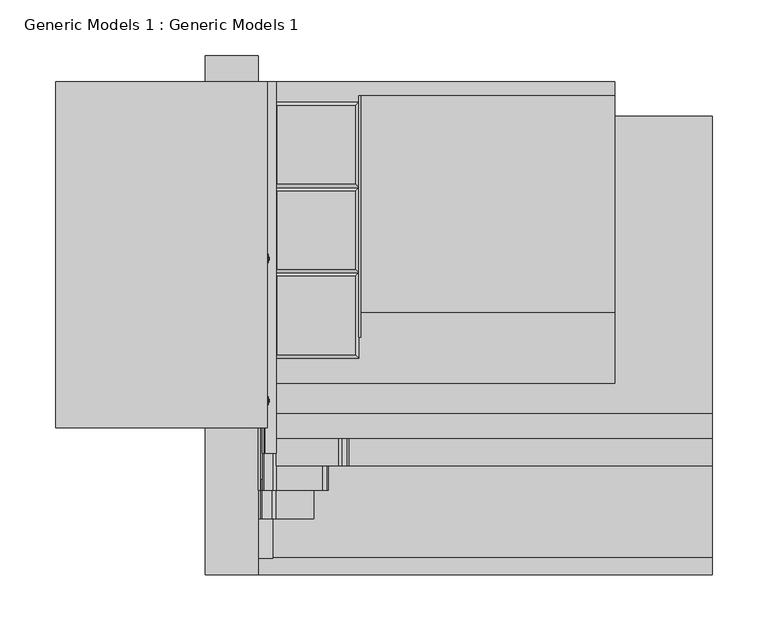
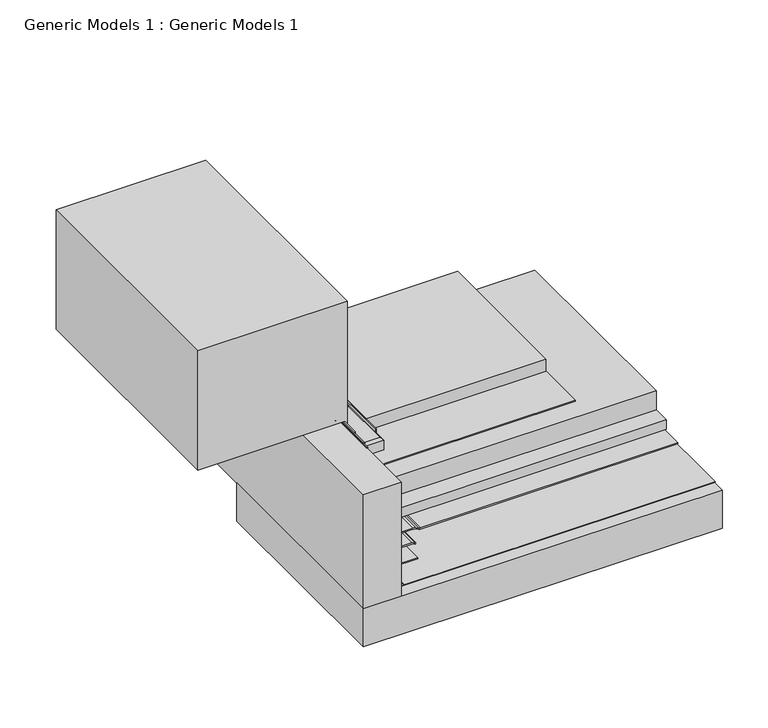
"""IFC4 building model written with IfcOpenShell, lengths in millimetres: proxy geometry, Generic Models 1 : Generic Models 1."""

from ifc_helpers import new_model, si_unit, point, frame, frame_2d, origin, place, context, project, spatial, polyline, circle_curve, trimmed, segment, composite_curve, outline, extrude, faceted_brep, source, transform, mapped, element, save
from ifc_brep_helpers import plane_surface, cylinder_surface, revolved_surface, advanced_brep


def generic_models_1_generic_models_1_38dde466(model_context):
    return source(origin(), model_context, "Body", "SolidModel", [
        faceted_brep([(172.2545081, 406.4, 234.95), (96.0545081, 406.4, 234.95), (96.0545081, 406.4, 247.65), (172.2545081, 406.4, 247.65), (96.0545081, 330.2, 234.95), (172.2545081, 330.2, 234.95), (172.2545081, 330.2, 247.65), (96.0545081, 330.2, 247.65), (99.2295081, 403.225, 250.825), (99.2295081, 333.375, 250.825), (169.0795081, 333.375, 250.825), (169.0795081, 403.225, 250.825)], [[[0, 1, 2, 3]], [[4, 5, 6, 7]], [[8, 9, 10, 11]], [[5, 0, 3, 6]], [[1, 0, 5, 4]], [[1, 4, 7, 2]], [[7, 9, 8, 2]], [[9, 7, 6, 10]], [[10, 6, 3, 11]], [[2, 8, 11, 3]]]),
        extrude(outline(polyline([(172.2545081, 412.1575057), (173.8420081, 412.1575057), (173.8420081, 196.6011681), (172.2545081, 196.6011681), (172.2545081, 412.1575057)])), frame((0.0, 0.0, 234.95), z_axis=(0.0, 0.0, 1.0), x_axis=(1.0, 0.0, 0.0)), (0.0, 0.0, 1.0), 15.875),
        faceted_brep([(172.2545081, 330.2, 234.95), (96.0545081, 330.2, 234.95), (96.0545081, 330.2, 247.65), (172.2545081, 330.2, 247.65), (96.0545081, 254.0, 234.95), (172.2545081, 254.0, 234.95), (172.2545081, 254.0, 247.65), (96.0545081, 254.0, 247.65), (99.2295081, 327.025, 250.825), (99.2295081, 257.175, 250.825), (169.0795081, 257.175, 250.825), (169.0795081, 327.025, 250.825)], [[[0, 1, 2, 3]], [[4, 5, 6, 7]], [[8, 9, 10, 11]], [[5, 0, 3, 6]], [[1, 0, 5, 4]], [[1, 4, 7, 2]], [[7, 9, 8, 2]], [[9, 7, 6, 10]], [[10, 6, 3, 11]], [[2, 8, 11, 3]]]),
        faceted_brep([(172.2545081, 254.0, 234.95), (96.0545081, 254.0, 234.95), (96.0545081, 254.0, 247.65), (172.2545081, 254.0, 247.65), (96.0545081, 177.8, 234.95), (172.2545081, 177.8, 234.95), (172.2545081, 177.8, 247.65), (96.0545081, 177.8, 247.65), (99.2295081, 250.825, 250.825), (99.2295081, 180.975, 250.825), (169.0795081, 180.975, 250.825), (169.0795081, 250.825, 250.825)], [[[0, 1, 2, 3]], [[4, 5, 6, 7]], [[8, 9, 10, 11]], [[5, 0, 3, 6]], [[1, 0, 5, 4]], [[1, 4, 7, 2]], [[7, 9, 8, 2]], [[9, 7, 6, 10]], [[10, 6, 3, 11]], [[2, 8, 11, 3]]]),
        extrude(outline(polyline([(173.8420081, 412.1575057), (400.8545081, 412.1575057), (400.8545081, 218.9523377), (173.8420081, 218.9523377), (173.8420081, 412.1575057)])), frame((0.0, 0.0, 234.95), z_axis=(0.0, 0.0, 1.0), x_axis=(1.0, 0.0, 0.0)), (0.0, 0.0, 1.0), 15.875),
        extrude(outline(polyline([(96.0545081, 424.8575057), (400.8545081, 424.8575057), (400.8545081, 155.1051213), (96.0545081, 155.1051213), (96.0545081, 424.8575057)])), frame((0.0, 0.0, 233.3625), z_axis=(0.0, 0.0, 1.0), x_axis=(1.0, 0.0, 0.0)), (0.0, 0.0, 1.0), 1.5875),
        extrude(outline(polyline([(96.0545081, 393.8469389), (487.9169046, 393.8469389), (487.9169046, 128.3782106), (96.0545081, 128.3782106), (96.0545081, 393.8469389)])), frame((0.0, 0.0, 207.9625), z_axis=(0.0, 0.0, 1.0), x_axis=(1.0, 0.0, 0.0)), (0.0, 0.0, 1.0), 25.4),
        extrude(outline(polyline([(96.0545081, 393.8469389), (487.9169046, 393.8469389), (487.9169046, 106.2450425), (96.0545081, 106.2450425), (96.0545081, 393.8469389)])), frame((0.0, 0.0, 195.2625), z_axis=(0.0, 0.0, 1.0), x_axis=(1.0, 0.0, 0.0)), (0.0, 0.0, 1.0), 12.7),
        extrude(outline(polyline([(35.0378202, 261.3017557), (487.9169046, 261.3017557), (487.9169046, -15.8013273), (35.0378202, -15.8013273), (35.0378202, 261.3017557)])), frame((0.0, 0.0, 137.31875), z_axis=(0.0, 0.0, 1.0), x_axis=(1.0, 0.0, 0.0)), (0.0, 0.0, 1.0), 50.8),
        extrude(outline(polyline([(340.51875, 87.3125), (310.5791141, 87.3125), (310.5791141, 90.4513986), (499.9960988, 90.4513986), (499.9960988, -98.425), (340.51875, -98.425), (340.51875, 87.3125)])), frame((0.0, 115.2679192, 0.0), z_axis=(0.0, 1.0, 0.0), x_axis=(0.0, 0.0, 1.0)), (0.0, 0.0, 1.0), 309.5895865),
        extrude(outline(composite_curve([segment(trimmed(circle_curve(frame_2d((339.725, 84.93125)), 0.79375), [point((339.725, 85.725))], [point((339.725, 84.1375))], False, "CARTESIAN"), True, "CONTINUOUS"), segment(polyline([(339.725, 84.1375), (314.5968614, 84.1375)]), True, "CONTINUOUS"), segment(trimmed(circle_curve(frame_2d((314.5968614, 84.93125)), 0.79375), [point((314.5968614, 84.1375))], [point((314.5968614, 85.725))], False, "CARTESIAN"), True, "CONTINUOUS"), segment(polyline([(314.5968614, 85.725), (339.725, 85.725)]), True, "CONTINUOUS")], self_intersect=False)), frame((0.0, 69.4715508, 0.0), z_axis=(0.0, 1.0, 0.0), x_axis=(0.0, 0.0, 1.0)), (0.0, 0.0, 1.0), 235.3284492),
        extrude(outline(composite_curve([segment(polyline([(340.51875, 87.3125), (340.51875, 85.725), (274.6141889, 85.725)]), True, "CONTINUOUS"), segment(trimmed(circle_curve(frame_2d((274.6141889, 90.4875)), 4.7625), [point((274.6141889, 85.725))], [point((271.2465929, 87.119904))], False, "CARTESIAN"), True, "CONTINUOUS"), segment(polyline([(271.2465929, 87.119904), (261.1186627, 97.2478341), (262.2411947, 98.3703662), (272.3691249, 88.242436)]), True, "CONTINUOUS"), segment(trimmed(circle_curve(frame_2d((274.6141889, 90.4875)), 3.175), [point((272.3691249, 88.242436))], [point((274.6141889, 87.3125))], True, "CARTESIAN"), True, "CONTINUOUS"), segment(polyline([(274.6141889, 87.3125), (340.51875, 87.3125)]), True, "CONTINUOUS")], self_intersect=False)), frame((0.0, 92.6863112, 0.0), z_axis=(0.0, 1.0, 0.0), x_axis=(0.0, 0.0, 1.0)), (0.0, 0.0, 1.0), 332.1711945),
        advanced_brep(
        [(78.0547052, 266.7, 325.464534), (78.0547052, 266.7, 326.5091177), (75.0926407, 266.7, 325.9868258), (90.4875, 266.7, 325.464534), (90.4875, 266.7, 326.5091177), (90.4875, 266.7, 322.2980716), (90.4875, 266.7, 329.6755801), (91.2790658, 266.7, 322.2980716), (91.2790658, 266.7, 329.6755801), (91.2790658, 266.7, 324.6059786), (91.2790658, 266.7, 327.3676731), (92.0888577, 266.7, 324.6059786), (92.0888577, 266.7, 327.3676731), (92.0888577, 266.7, 325.9868258)],
        [
            (0, 1, circle_curve(frame((78.0547052, 266.7, 325.9868258), z_axis=(-1.0, 0.0, 0.0), x_axis=(0.0, 0.0, 1.0)), 0.5222919)),
            (1, 2),
            (2, 0),
            (1, 0, circle_curve(frame((78.0547052, 266.7, 325.9868258), z_axis=(-1.0, 0.0, 0.0), x_axis=(0.0, 0.0, 1.0)), 0.5222919)),
            (3, 4, circle_curve(frame((90.4875, 266.7, 325.9868258), z_axis=(-1.0, 0.0, 0.0), x_axis=(0.0, 0.0, 1.0)), 0.5222919)),
            (4, 1),
            (0, 3),
            (4, 3, circle_curve(frame((90.4875, 266.7, 325.9868258), z_axis=(-1.0, 0.0, 0.0), x_axis=(0.0, 0.0, 1.0)), 0.5222919)),
            (5, 6, circle_curve(frame((90.4875, 266.7, 325.9868258), z_axis=(-1.0, 0.0, 0.0), x_axis=(0.0, 0.0, 1.0)), 3.6887543)),
            (6, 4),
            (3, 5),
            (6, 5, circle_curve(frame((90.4875, 266.7, 325.9868258), z_axis=(-1.0, 0.0, 0.0), x_axis=(0.0, 0.0, 1.0)), 3.6887543)),
            (7, 8, circle_curve(frame((91.2790658, 266.7, 325.9868258), z_axis=(-1.0, 0.0, 0.0), x_axis=(0.0, 0.0, 1.0)), 3.6887543)),
            (8, 6),
            (5, 7),
            (8, 7, circle_curve(frame((91.2790658, 266.7, 325.9868258), z_axis=(-1.0, 0.0, 0.0), x_axis=(0.0, 0.0, 1.0)), 3.6887543)),
            (9, 10, circle_curve(frame((91.2790658, 266.7, 325.9868258), z_axis=(-1.0, 0.0, 0.0), x_axis=(0.0, 0.0, 1.0)), 1.3808472)),
            (10, 8),
            (7, 9),
            (10, 9, circle_curve(frame((91.2790658, 266.7, 325.9868258), z_axis=(-1.0, 0.0, 0.0), x_axis=(0.0, 0.0, 1.0)), 1.3808472)),
            (11, 12, circle_curve(frame((92.0888577, 266.7, 325.9868258), z_axis=(-1.0, 0.0, 0.0), x_axis=(0.0, 0.0, 1.0)), 1.3808472)),
            (12, 10),
            (9, 11),
            (12, 11, circle_curve(frame((92.0888577, 266.7, 325.9868258), z_axis=(-1.0, 0.0, 0.0), x_axis=(0.0, 0.0, 1.0)), 1.3808472)),
            (13, 12),
            (11, 13),
        ],
        [
            revolved_surface(polyline([(75.0926407, 266.7, 325.9868258), (78.0547052, 266.7, 326.5091177)]), (92.0888577, 266.7, 325.9868258), (1.0, 0.0, 0.0)),
            cylinder_surface(frame((92.0888577, 266.7, 325.9868258), z_axis=(1.0, 0.0, 0.0), x_axis=(0.0, 0.0, 1.0)), 0.5222919),
            plane_surface(frame((90.4875, 266.7, 325.9868258), z_axis=(-1.0, 0.0, 0.0), x_axis=(0.0, 0.0, 1.0))),
            cylinder_surface(frame((92.0888577, 266.7, 325.9868258), z_axis=(1.0, 0.0, 0.0), x_axis=(0.0, 0.0, 1.0)), 3.6887543),
            plane_surface(frame((91.2790658, 266.7, 325.9868258), z_axis=(1.0, 0.0, 0.0), x_axis=(0.0, 0.0, 1.0))),
            cylinder_surface(frame((92.0888577, 266.7, 325.9868258), z_axis=(1.0, 0.0, 0.0), x_axis=(0.0, 0.0, 1.0)), 1.3808472),
            plane_surface(frame((92.0888577, 266.7, 325.9868258), z_axis=(1.0, 0.0, 0.0), x_axis=(0.0, 0.0, 1.0))),
        ],
        [
            (0, [[1, 2, 3]]),
            (0, [[4, -3, -2]]),
            (1, [[5, 6, -1, 7]]),
            (1, [[8, -7, -4, -6]]),
            (2, [[9, 10, -5, 11]]),
            (2, [[12, -11, -8, -10]]),
            (3, [[13, 14, -9, 15]]),
            (3, [[16, -15, -12, -14]]),
            (4, [[17, 18, -13, 19]]),
            (4, [[20, -19, -16, -18]]),
            (5, [[21, 22, -17, 23]]),
            (5, [[24, -23, -20, -22]]),
            (6, [[25, -21, 26]]),
            (6, [[-26, -24, -25]]),
        ],
    ),
        advanced_brep(
        [(78.0547052, 139.7, 325.464534), (78.0547052, 139.7, 326.5091177), (75.0926407, 139.7, 325.9868258), (90.4875, 139.7, 325.464534), (90.4875, 139.7, 326.5091177), (90.4875, 139.7, 322.2980716), (90.4875, 139.7, 329.6755801), (91.2790658, 139.7, 322.2980716), (91.2790658, 139.7, 329.6755801), (91.2790658, 139.7, 324.6059786), (91.2790658, 139.7, 327.3676731), (92.0888577, 139.7, 324.6059786), (92.0888577, 139.7, 327.3676731), (92.0888577, 139.7, 325.9868258)],
        [
            (0, 1, circle_curve(frame((78.0547052, 139.7, 325.9868258), z_axis=(-1.0, 0.0, 0.0), x_axis=(0.0, 0.0, 1.0)), 0.5222919)),
            (1, 2),
            (2, 0),
            (1, 0, circle_curve(frame((78.0547052, 139.7, 325.9868258), z_axis=(-1.0, 0.0, 0.0), x_axis=(0.0, 0.0, 1.0)), 0.5222919)),
            (3, 4, circle_curve(frame((90.4875, 139.7, 325.9868258), z_axis=(-1.0, 0.0, 0.0), x_axis=(0.0, 0.0, 1.0)), 0.5222919)),
            (4, 1),
            (0, 3),
            (4, 3, circle_curve(frame((90.4875, 139.7, 325.9868258), z_axis=(-1.0, 0.0, 0.0), x_axis=(0.0, 0.0, 1.0)), 0.5222919)),
            (5, 6, circle_curve(frame((90.4875, 139.7, 325.9868258), z_axis=(-1.0, 0.0, 0.0), x_axis=(0.0, 0.0, 1.0)), 3.6887543)),
            (6, 4),
            (3, 5),
            (6, 5, circle_curve(frame((90.4875, 139.7, 325.9868258), z_axis=(-1.0, 0.0, 0.0), x_axis=(0.0, 0.0, 1.0)), 3.6887543)),
            (7, 8, circle_curve(frame((91.2790658, 139.7, 325.9868258), z_axis=(-1.0, 0.0, 0.0), x_axis=(0.0, 0.0, 1.0)), 3.6887543)),
            (8, 6),
            (5, 7),
            (8, 7, circle_curve(frame((91.2790658, 139.7, 325.9868258), z_axis=(-1.0, 0.0, 0.0), x_axis=(0.0, 0.0, 1.0)), 3.6887543)),
            (9, 10, circle_curve(frame((91.2790658, 139.7, 325.9868258), z_axis=(-1.0, 0.0, 0.0), x_axis=(0.0, 0.0, 1.0)), 1.3808472)),
            (10, 8),
            (7, 9),
            (10, 9, circle_curve(frame((91.2790658, 139.7, 325.9868258), z_axis=(-1.0, 0.0, 0.0), x_axis=(0.0, 0.0, 1.0)), 1.3808472)),
            (11, 12, circle_curve(frame((92.0888577, 139.7, 325.9868258), z_axis=(-1.0, 0.0, 0.0), x_axis=(0.0, 0.0, 1.0)), 1.3808472)),
            (12, 10),
            (9, 11),
            (12, 11, circle_curve(frame((92.0888577, 139.7, 325.9868258), z_axis=(-1.0, 0.0, 0.0), x_axis=(0.0, 0.0, 1.0)), 1.3808472)),
            (13, 12),
            (11, 13),
        ],
        [
            revolved_surface(polyline([(75.0926407, 139.7, 325.9868258), (78.0547052, 139.7, 326.5091177)]), (92.0888577, 139.7, 325.9868258), (1.0, 0.0, 0.0)),
            cylinder_surface(frame((92.0888577, 139.7, 325.9868258), z_axis=(1.0, 0.0, 0.0), x_axis=(0.0, 0.0, 1.0)), 0.5222919),
            plane_surface(frame((90.4875, 139.7, 325.9868258), z_axis=(-1.0, 0.0, 0.0), x_axis=(0.0, 0.0, 1.0))),
            cylinder_surface(frame((92.0888577, 139.7, 325.9868258), z_axis=(1.0, 0.0, 0.0), x_axis=(0.0, 0.0, 1.0)), 3.6887543),
            plane_surface(frame((91.2790658, 139.7, 325.9868258), z_axis=(1.0, 0.0, 0.0), x_axis=(0.0, 0.0, 1.0))),
            cylinder_surface(frame((92.0888577, 139.7, 325.9868258), z_axis=(1.0, 0.0, 0.0), x_axis=(0.0, 0.0, 1.0)), 1.3808472),
            plane_surface(frame((92.0888577, 139.7, 325.9868258), z_axis=(1.0, 0.0, 0.0), x_axis=(0.0, 0.0, 1.0))),
        ],
        [
            (0, [[1, 2, 3]]),
            (0, [[4, -3, -2]]),
            (1, [[5, 6, -1, 7]]),
            (1, [[8, -7, -4, -6]]),
            (2, [[9, 10, -5, 11]]),
            (2, [[12, -11, -8, -10]]),
            (3, [[13, 14, -9, 15]]),
            (3, [[16, -15, -12, -14]]),
            (4, [[17, 18, -13, 19]]),
            (4, [[20, -19, -16, -18]]),
            (5, [[21, 22, -17, 23]]),
            (5, [[24, -23, -20, -22]]),
            (6, [[25, -21, 26]]),
            (6, [[-26, -24, -25]]),
        ],
    ),
        extrude(outline(polyline([(82.55, 393.8469389), (487.9169046, 393.8469389), (487.9169046, 0.0), (82.55, 0.0), (82.55, 393.8469389)])), frame((0.0, 0.0, 188.9125), z_axis=(0.0, 0.0, 1.0), x_axis=(1.0, 0.0, 0.0)), (0.0, 0.0, 1.0), 0.79375),
        extrude(outline(composite_curve([segment(trimmed(circle_curve(frame_2d((187.325, 153.7084294)), 6.35), [point((193.675, 153.7084294))], [point((193.0800544, 156.3920554))], True, "CARTESIAN"), True, "CONTINUOUS"), segment(polyline([(193.0800544, 156.3920554), (191.0949456, 160.6491351)]), True, "CONTINUOUS"), segment(trimmed(circle_curve(frame_2d((196.85, 163.3327611)), 6.35), [point((191.0949456, 160.6491351))], [point((190.5, 163.3327611))], False, "CARTESIAN"), True, "CONTINUOUS"), segment(polyline([(190.5, 163.3327611), (190.5, 487.9169046), (192.0875, 487.9169046), (192.0875, 163.3327611)]), True, "CONTINUOUS"), segment(trimmed(circle_curve(frame_2d((196.85, 163.3327611)), 4.7625), [point((192.0875, 163.3327611))], [point((192.5337092, 161.3200416))], True, "CARTESIAN"), True, "CONTINUOUS"), segment(polyline([(192.5337092, 161.3200416), (194.5188181, 157.0629619)]), True, "CONTINUOUS"), segment(trimmed(circle_curve(frame_2d((187.325, 153.7084294)), 7.9375), [point((194.5188181, 157.0629619))], [point((195.2625, 153.7084294))], False, "CARTESIAN"), True, "CONTINUOUS"), segment(polyline([(195.2625, 153.7084294), (195.2625, 98.5378202), (193.675, 98.5378202), (193.675, 153.7084294)]), True, "CONTINUOUS")], self_intersect=False)), frame((0.0, 81.7939129, 0.0), z_axis=(0.0, 1.0, 0.0), x_axis=(0.0, 0.0, 1.0)), (0.0, 0.0, 1.0), 312.053026),
        extrude(outline(composite_curve([segment(polyline([(340.51875, 84.1375), (340.51875, 82.55), (236.8806049, 82.55)]), True, "CONTINUOUS"), segment(trimmed(circle_curve(frame_2d((236.8806049, 88.9)), 6.35), [point((236.8806049, 82.55))], [point((233.8064244, 83.34375))], False, "CARTESIAN"), True, "CONTINUOUS"), segment(trimmed(circle_curve(frame_2d((230.7322439, 77.7875)), 6.35), [point((233.8064244, 83.34375))], [point((230.7322439, 84.1375))], True, "CARTESIAN"), True, "CONTINUOUS"), segment(polyline([(230.7322439, 84.1375), (206.4878202, 84.1375)]), True, "CONTINUOUS"), segment(trimmed(circle_curve(frame_2d((206.4878202, 90.4875)), 6.35), [point((206.4878202, 84.1375))], [point((201.9976921, 85.9973719))], False, "CARTESIAN"), True, "CONTINUOUS"), segment(polyline([(201.9976921, 85.9973719), (193.9473719, 94.0476921)]), True, "CONTINUOUS"), segment(trimmed(circle_curve(frame_2d((198.4375, 98.5378202)), 6.35), [point((193.9473719, 94.0476921))], [point((192.0875, 98.5378202))], False, "CARTESIAN"), True, "CONTINUOUS"), segment(polyline([(192.0875, 98.5378202), (192.0875, 139.6852414)]), True, "CONTINUOUS"), segment(trimmed(circle_curve(frame_2d((185.7375, 139.6852414)), 6.35), [point((192.0875, 139.6852414))], [point((191.2367613, 142.8602414))], True, "CARTESIAN"), True, "CONTINUOUS"), segment(polyline([(191.2367613, 142.8602414), (190.5, 144.1363494), (191.8748153, 144.9300994), (192.6115766, 143.6539914)]), True, "CONTINUOUS"), segment(trimmed(circle_curve(frame_2d((185.7375, 139.6852414)), 7.9375), [point((192.6115766, 143.6539914))], [point((193.675, 139.6852414))], False, "CARTESIAN"), True, "CONTINUOUS"), segment(polyline([(193.675, 139.6852414), (193.675, 98.5378202)]), True, "CONTINUOUS"), segment(trimmed(circle_curve(frame_2d((198.4375, 98.5378202)), 4.7625), [point((193.675, 98.5378202))], [point((195.069904, 95.1702241))], True, "CARTESIAN"), True, "CONTINUOUS"), segment(polyline([(195.069904, 95.1702241), (203.1202241, 87.119904)]), True, "CONTINUOUS"), segment(trimmed(circle_curve(frame_2d((206.4878202, 90.4875)), 4.7625), [point((203.1202241, 87.119904))], [point((206.4878202, 85.725))], True, "CARTESIAN"), True, "CONTINUOUS"), segment(polyline([(206.4878202, 85.725), (230.7322439, 85.725)]), True, "CONTINUOUS"), segment(trimmed(circle_curve(frame_2d((230.7322439, 77.7875)), 7.9375), [point((230.7322439, 85.725))], [point((234.5749695, 84.7328125))], False, "CARTESIAN"), True, "CONTINUOUS"), segment(trimmed(circle_curve(frame_2d((236.8806049, 88.9)), 4.7625), [point((234.5749695, 84.7328125))], [point((236.8806049, 84.1375))], True, "CARTESIAN"), True, "CONTINUOUS"), segment(polyline([(236.8806049, 84.1375), (340.51875, 84.1375)]), True, "CONTINUOUS")], self_intersect=False)), frame((0.0, 59.8326116, 0.0), z_axis=(0.0, 1.0, 0.0), x_axis=(0.0, 0.0, 1.0)), (0.0, 0.0, 1.0), 365.024894),
        extrude(outline(composite_curve([segment(trimmed(circle_curve(frame_2d((205.8302561, 88.9)), 6.35), [point((205.8302561, 82.55))], [point((201.3401281, 84.4098719))], False, "CARTESIAN"), True, "CONTINUOUS"), segment(polyline([(201.3401281, 84.4098719), (192.3598719, 93.3901281)]), True, "CONTINUOUS"), segment(trimmed(circle_curve(frame_2d((196.85, 97.8802561)), 6.35), [point((192.3598719, 93.3901281))], [point((190.5, 97.8802561))], False, "CARTESIAN"), True, "CONTINUOUS"), segment(polyline([(190.5, 97.8802561), (190.5, 132.159375), (192.0875, 132.159375), (192.0875, 97.8802561)]), True, "CONTINUOUS"), segment(trimmed(circle_curve(frame_2d((196.85, 97.8802561)), 4.7625), [point((192.0875, 97.8802561))], [point((193.482404, 94.5126601))], True, "CARTESIAN"), True, "CONTINUOUS"), segment(polyline([(193.482404, 94.5126601), (202.4626601, 85.532404)]), True, "CONTINUOUS"), segment(trimmed(circle_curve(frame_2d((205.8302561, 88.9)), 4.7625), [point((202.4626601, 85.532404))], [point((205.8302561, 84.1375))], True, "CARTESIAN"), True, "CONTINUOUS"), segment(polyline([(205.8302561, 84.1375), (228.6, 84.1375), (228.6, 82.55), (205.8302561, 82.55)]), True, "CONTINUOUS")], self_intersect=False)), frame((0.0, 34.1351637, 0.0), z_axis=(0.0, 1.0, 0.0), x_axis=(0.0, 0.0, 1.0)), (0.0, 0.0, 1.0), 359.7117752),
        extrude(outline(polyline([(203.2, 82.55), (190.5, 82.55), (190.5, 95.25), (203.2, 82.55)])), frame((0.0, -0.8823565, 0.0), z_axis=(0.0, 1.0, 0.0), x_axis=(0.0, 0.0, 1.0)), (0.0, 0.0, 1.0), 394.7292954),
        extrude(outline(polyline([(82.55, -15.8013273), (35.0378202, -15.8013273), (35.0378202, 447.7486727), (82.55, 447.7486727), (82.55, -15.8013273)])), frame((0.0, 0.0, 188.11875), z_axis=(0.0, 0.0, 1.0), x_axis=(1.0, 0.0, 0.0)), (0.0, 0.0, 1.0), 152.4),
    ])


if __name__ == "__main__":
    model = new_model("IFC4")
    model_context = context("Model", 3, world=origin())
    ifc_project = project(units=[si_unit("LENGTHUNIT", "METRE", prefix="MILLI")], contexts=[model_context])
    site = spatial("IfcSite", under=ifc_project)
    building = spatial("IfcBuilding", under=site)
    placement = place(None, origin())
    generic_models_1_generic_models_1_shape = generic_models_1_generic_models_1_38dde466(model_context)
    element("IfcBuildingElementProxy", 1, Name="Generic Models 1 : Generic Models 1", ObjectType="Generic Models 1 : Generic Models 1", at=placement, inside=building, context=model_context, shape_type="MappedRepresentation", body=[
        mapped(generic_models_1_generic_models_1_shape, transform((0.0, 0.0, 0.0), x_axis=(1.0, 0.0, 0.0), y_axis=(0.0, 1.0, 0.0), z_axis=(0.0, 0.0, 1.0))),
    ])
    save(model, "model.ifc")
